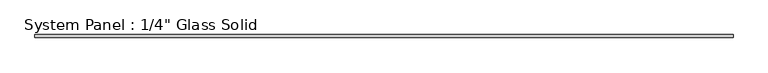
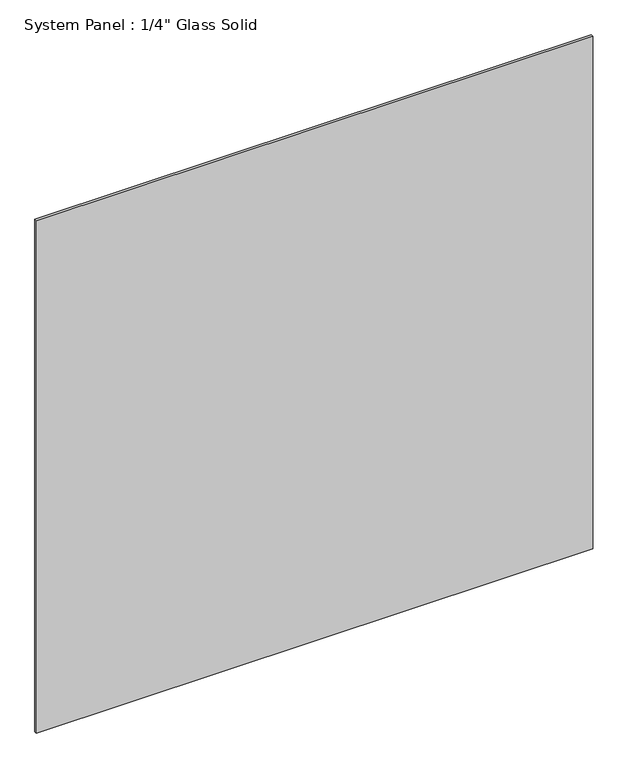
"""IFC4 building model written with IfcOpenShell, lengths in millimetres: plate geometry."""

from ifc_helpers import new_model, si_unit, origin, origin_with_axes, place, context, project, spatial, polyline, outline, extrude, source, transform, mapped, element, save


def plate_2dccaecb(model_context):
    return source(origin(), model_context, "Body", "SweptSolid", [
        extrude(outline(polyline([(720.7764199, -3.175), (-720.7764199, -3.175), (-720.7764199, 3.175), (720.7764199, 3.175), (720.7764199, -3.175)])), origin_with_axes(), (0.0, 0.0, 1.0), 1404.0991382),
    ])


if __name__ == "__main__":
    model = new_model("IFC4")
    model_context = context("Model", 3, world=origin())
    ifc_project = project(units=[si_unit("LENGTHUNIT", "METRE", prefix="MILLI")], contexts=[model_context])
    site = spatial("IfcSite", under=ifc_project)
    building = spatial("IfcBuilding", under=site)
    placement = place(None, origin())
    plate_shape = plate_2dccaecb(model_context)
    element("IfcPlate", 1, ObjectType="System Panel : 1/4\" Glass Solid", at=placement, inside=building, context=model_context, shape_type="MappedRepresentation", body=[
        mapped(plate_shape, transform((0.0, 0.0, 0.0), x_axis=(1.0, 0.0, 0.0), y_axis=(0.0, 1.0, 0.0), z_axis=(0.0, 0.0, 1.0))),
    ])
    save(model, "model.ifc")
